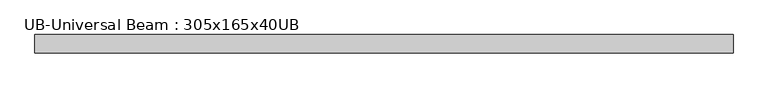
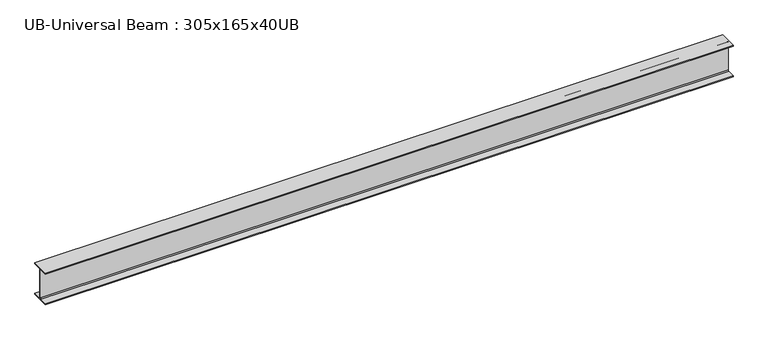
"""IFC4 building model written with IfcOpenShell, lengths in millimetres: beam geometry, UB-Universal Beam : 305x165x40UB."""

import ifcopenshell
import ifcopenshell.guid

model = None  # the IFC model being written
_history = None  # IfcOwnerHistory: only IFC2X3 demands one
_inside = {}  # id of a spatial element -> (the spatial element, [elements in it])
_under = {}  # id of a project, library or spatial element -> (it, [spatial elements below it])
_declared = {}  # id of a project -> (the project, [libraries it declares])
_typed = {}  # id of a type object -> (the type object, [elements of that type])
_made_of = {}  # id of a material, layer set ... -> (it, [elements and type objects made of it])


def new_model(schema):
    """Start an empty IFC model of exactly this schema.

    Asked for "IFC4X3", IfcOpenShell would pick the latest addendum, in which some entities
    have other attributes; the version numbers below select the first issue.
    IFC2X3 requires an IfcOwnerHistory on every rooted entity: one is made here for all.
    """
    global model, _history
    if schema == "IFC4X3":
        model = ifcopenshell.file(schema_version=(4, 3, 0, 0))
    else:
        model = ifcopenshell.file(schema=schema)
    _inside.clear()
    _under.clear()
    _declared.clear()
    _typed.clear()
    _made_of.clear()
    _history = None
    if model.schema == "IFC2X3":
        org = make("IfcOrganization", Name="unknown")
        user = make(
            "IfcPersonAndOrganization",
            ThePerson=make("IfcPerson", FamilyName="unknown"),
            TheOrganization=org,
        )
        app = make(
            "IfcApplication",
            ApplicationDeveloper=org,
            Version="unknown",
            ApplicationFullName="unknown",
            ApplicationIdentifier="unknown",
        )
        _history = make(
            "IfcOwnerHistory",
            OwningUser=user,
            OwningApplication=app,
            ChangeAction="ADDED",
            CreationDate=0,
        )
    return model


def make(cls, **values):
    """One entity of the class cls with the attributes given. An attribute that is None is left unset."""
    return model.create_entity(
        cls, **{name: value for name, value in values.items() if value is not None}
    )


def rooted(cls, **values):
    """An entity with a GlobalId (a new one), such as an element, a storey or a relation."""
    return make(cls, GlobalId=ifcopenshell.guid.new(), OwnerHistory=_history, **values)


def si_unit(unit_type, name, prefix=None):
    """IfcSIUnit, for example si_unit("LENGTHUNIT", "METRE", prefix="MILLI")."""
    return make("IfcSIUnit", UnitType=unit_type, Prefix=prefix, Name=name)


def assignment(units):
    """IfcUnitAssignment: the units of a project."""
    return None if units is None else make("IfcUnitAssignment", Units=units)


def point(xyz):
    """IfcCartesianPoint."""
    return None if xyz is None else make("IfcCartesianPoint", Coordinates=xyz)


def direction(xyz):
    """IfcDirection."""
    return None if xyz is None else make("IfcDirection", DirectionRatios=xyz)


def frame(location, z_axis=None, x_axis=None):
    """IfcAxis2Placement3D, a coordinate frame: its origin and axes. An axis left out is left unset."""
    return make(
        "IfcAxis2Placement3D",
        Location=point(location),
        Axis=direction(z_axis),
        RefDirection=direction(x_axis),
    )


def frame_2d(location, x_axis=None):
    """IfcAxis2Placement2D, a coordinate frame in the plane: its origin and x axis."""
    return make(
        "IfcAxis2Placement2D", Location=point(location), RefDirection=direction(x_axis)
    )


def origin():
    """The frame at (0, 0, 0) with its axes left unset."""
    return frame((0.0, 0.0, 0.0))


def place(relative_to, where):
    """IfcLocalPlacement: puts the frame where relative to a parent placement (None: the world)."""
    return make(
        "IfcLocalPlacement", PlacementRelTo=relative_to, RelativePlacement=where
    )


def context(
    kind, dimensions, precision=None, world=None, true_north=None, identifier=None
):
    """IfcGeometricRepresentationContext, for example the 3D "Model" context."""
    return make(
        "IfcGeometricRepresentationContext",
        ContextIdentifier=identifier,
        ContextType=kind,
        CoordinateSpaceDimension=dimensions,
        Precision=precision,
        WorldCoordinateSystem=world,
        TrueNorth=true_north,
    )


def project(units=None, contexts=None):
    """IfcProject with its units and contexts."""
    return rooted(
        "IfcProject",
        Name="project",
        RepresentationContexts=contexts,
        UnitsInContext=assignment(units),
    )


def spatial(cls, under=None, at=None, **own):
    """A site, building, storey or space (cls), placed at a placement, below another one or the project."""
    s = rooted(cls, ObjectPlacement=at, **own)
    if under is not None:
        _under.setdefault(under.id(), (under, []))[1].append(s)
    return s


def polyline(points):
    """IfcPolyline through the points."""
    return make("IfcPolyline", Points=[point(p) for p in points])


def circle_curve(where, radius):
    """IfcCircle in the frame where."""
    return make("IfcCircle", Position=where, Radius=radius)


def trimmed(basis, trim1, trim2, sense, master):
    """IfcTrimmedCurve: the piece of a basis curve between two trims."""
    return make(
        "IfcTrimmedCurve",
        BasisCurve=basis,
        Trim1=trim1,
        Trim2=trim2,
        SenseAgreement=sense,
        MasterRepresentation=master,
    )


def segment(curve, same_sense, transition):
    """IfcCompositeCurveSegment."""
    return make(
        "IfcCompositeCurveSegment",
        Transition=transition,
        SameSense=same_sense,
        ParentCurve=curve,
    )


def composite_curve(segments, self_intersect=None):
    """IfcCompositeCurve: segments joined end to end."""
    return make("IfcCompositeCurve", Segments=segments, SelfIntersect=self_intersect)


def outline(outer, holes=None, kind="AREA"):
    """IfcArbitraryClosedProfileDef: a profile drawn as a closed curve; with holes, ...WithVoids."""
    if holes is None:
        return make("IfcArbitraryClosedProfileDef", ProfileType=kind, OuterCurve=outer)
    return make(
        "IfcArbitraryProfileDefWithVoids",
        ProfileType=kind,
        OuterCurve=outer,
        InnerCurves=holes,
    )


def extrude(swept, where, along, depth):
    """IfcExtrudedAreaSolid: the profile swept, set in the frame where, extruded along a direction by depth."""
    return make(
        "IfcExtrudedAreaSolid",
        SweptArea=swept,
        Position=where,
        ExtrudedDirection=direction(along),
        Depth=depth,
    )


def shape(context_of_items, identifier, shape_type, items):
    """IfcShapeRepresentation: the items that make up one representation, for example the "Body"."""
    return make(
        "IfcShapeRepresentation",
        ContextOfItems=context_of_items,
        RepresentationIdentifier=identifier,
        RepresentationType=shape_type,
        Items=items,
    )


def source(mapping_origin, context_of_items, identifier, shape_type, items):
    """IfcRepresentationMap: a shape defined once, which mapped items show again and again."""
    return make(
        "IfcRepresentationMap",
        MappingOrigin=mapping_origin,
        MappedRepresentation=shape(context_of_items, identifier, shape_type, items),
    )


def transform(
    local_origin,
    x_axis=None,
    y_axis=None,
    z_axis=None,
    scale=None,
    scale2=None,
    scale3=None,
    uniform=True,
):
    """IfcCartesianTransformationOperator3D, or its non-uniform kind. x_axis, y_axis, z_axis: its Axis1, 2, 3."""
    if uniform:
        return make(
            "IfcCartesianTransformationOperator3D",
            Axis1=direction(x_axis),
            Axis2=direction(y_axis),
            LocalOrigin=point(local_origin),
            Scale=scale,
            Axis3=direction(z_axis),
        )
    return make(
        "IfcCartesianTransformationOperator3DnonUniform",
        Axis1=direction(x_axis),
        Axis2=direction(y_axis),
        LocalOrigin=point(local_origin),
        Scale=scale,
        Axis3=direction(z_axis),
        Scale2=scale2,
        Scale3=scale3,
    )


def mapped(mapping_source, mapping_target):
    """IfcMappedItem: shows the shape of a source again, moved by a transform."""
    return make(
        "IfcMappedItem", MappingSource=mapping_source, MappingTarget=mapping_target
    )


def made_of(thing, what):
    """Note that an element or type object is made of a material, layer set ...; save() writes the relation."""
    if what is not None:
        _made_of.setdefault(what.id(), (what, []))[1].append(thing)
    return thing


def element(
    cls,
    number,
    at=None,
    inside=None,
    cuts=None,
    type_object=None,
    material=None,
    context=None,
    identifier="Body",
    shape_type=None,
    held_by="IfcProductDefinitionShape",
    body=None,
    shapes=None,
    **own,
):
    """One element of the class cls, such as IfcWall. Its Tag is "e" and its number.

    at: its placement. inside: the storey or other place that contains it. cuts: it is an
    opening in that element (IfcRelVoidsElement). A single representation is given by context,
    identifier, shape_type and body (its items); several are given by shapes. held_by: the class
    of the entity that holds the representations. save() writes the other relations.
    """
    e = rooted(cls, Tag="e%d" % number, ObjectPlacement=at, **own)
    if body is not None:
        shapes = [shape(context, identifier, shape_type, body)]
    if shapes is not None:
        e.Representation = make(held_by, Representations=shapes)
    if inside is not None:
        _inside.setdefault(inside.id(), (inside, []))[1].append(e)
    if cuts is not None:
        rooted(
            "IfcRelVoidsElement", RelatingBuildingElement=cuts, RelatedOpeningElement=e
        )
    if type_object is not None:
        _typed.setdefault(type_object.id(), (type_object, []))[1].append(e)
    return made_of(e, material)


def aggregate(whole, parts):
    """IfcRelAggregates: a whole, such as a stair, and the parts it consists of."""
    return rooted("IfcRelAggregates", RelatingObject=whole, RelatedObjects=parts)


def save(model, path):
    """Write the relations noted so far, then the file.

    IfcRelAggregates (storeys below a building ...), IfcRelContainedInSpatialStructure (elements
    in a storey), IfcRelDefinesByType, IfcRelAssociatesMaterial and IfcRelDeclares: one each for
    every whole, place, type object, material and project.
    """
    for whole, parts in _under.values():
        aggregate(whole, parts)
    for where, things in _inside.values():
        rooted(
            "IfcRelContainedInSpatialStructure",
            RelatedElements=things,
            RelatingStructure=where,
        )
    for kind, things in _typed.values():
        rooted("IfcRelDefinesByType", RelatedObjects=things, RelatingType=kind)
    for what, things in _made_of.values():
        rooted("IfcRelAssociatesMaterial", RelatedObjects=things, RelatingMaterial=what)
    for by, libraries in _declared.values():
        rooted("IfcRelDeclares", RelatingContext=by, RelatedDefinitions=libraries)
    model.write(path)


def ub_universal_beam_305x165x40ub_098b5d56(model_context):
    return source(origin(), model_context, "Body", "SweptSolid", [
        extrude(outline(composite_curve([segment(polyline([(82.5, -141.5), (82.5, -151.7), (-82.5, -151.7), (-82.5, -141.5), (-11.9, -141.5)]), True, "CONTINUOUS"), segment(trimmed(circle_curve(frame_2d((-11.9, -132.6)), 8.9), [point((-11.9, -141.5))], [point((-3.0, -132.6))], True, "CARTESIAN"), True, "CONTINUOUS"), segment(polyline([(-3.0, -132.6), (-3.0, 132.6)]), True, "CONTINUOUS"), segment(trimmed(circle_curve(frame_2d((-11.9, 132.6)), 8.9), [point((-3.0, 132.6))], [point((-11.9, 141.5))], True, "CARTESIAN"), True, "CONTINUOUS"), segment(polyline([(-11.9, 141.5), (-82.5, 141.5), (-82.5, 151.7), (82.5, 151.7), (82.5, 141.5), (11.9, 141.5)]), True, "CONTINUOUS"), segment(trimmed(circle_curve(frame_2d((11.9, 132.6)), 8.9), [point((11.9, 141.5))], [point((3.0, 132.6))], True, "CARTESIAN"), True, "CONTINUOUS"), segment(polyline([(3.0, 132.6), (3.0, -132.6)]), True, "CONTINUOUS"), segment(trimmed(circle_curve(frame_2d((11.9, -132.6)), 8.9), [point((3.0, -132.6))], [point((11.9, -141.5))], True, "CARTESIAN"), True, "CONTINUOUS"), segment(polyline([(11.9, -141.5), (82.5, -141.5)]), True, "CONTINUOUS")], self_intersect=False)), frame((-3120.9385462, 0.0, 0.0), z_axis=(1.0, 0.0, 0.0), x_axis=(0.0, 1.0, 0.0)), (0.0, 0.0, 1.0), 6241.8770924),
    ])


if __name__ == "__main__":
    model = new_model("IFC4")
    model_context = context("Model", 3, world=origin())
    ifc_project = project(units=[si_unit("LENGTHUNIT", "METRE", prefix="MILLI")], contexts=[model_context])
    site = spatial("IfcSite", under=ifc_project)
    building = spatial("IfcBuilding", under=site)
    placement = place(None, origin())
    ub_universal_beam_305x165x40ub_shape = ub_universal_beam_305x165x40ub_098b5d56(model_context)
    element("IfcBeam", 1, ObjectType="UB-Universal Beam : 305x165x40UB", at=placement, inside=building, context=model_context, shape_type="MappedRepresentation", body=[
        mapped(ub_universal_beam_305x165x40ub_shape, transform((0.0, 0.0, 0.0), x_axis=(1.0, 0.0, 0.0), y_axis=(0.0, 1.0, 0.0), z_axis=(0.0, 0.0, 1.0))),
    ])
    save(model, "model.ifc")
